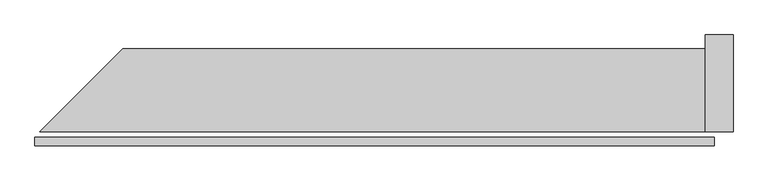
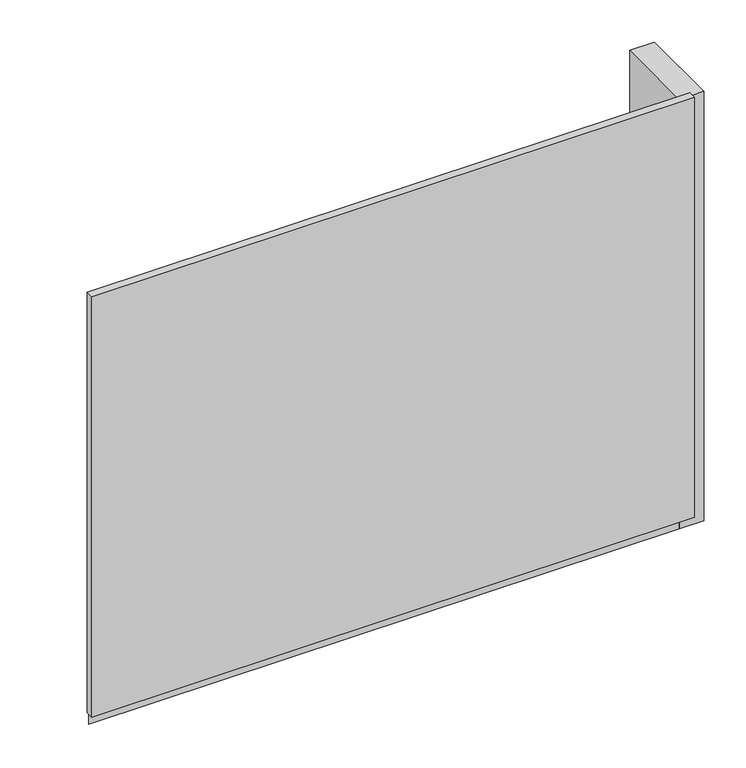
"""IFC4 building model written with IfcOpenShell, lengths in millimetres: plate geometry."""

from ifc_helpers import new_model, si_unit, frame, origin, origin_with_axes, place, context, project, spatial, polyline, outline, extrude, source, transform, mapped, element, save


def plate_98459faf(model_context):
    return source(origin(), model_context, "Body", "SweptSolid", [
        extrude(outline(polyline([(981.5, 0.0), (-981.5, 0.0), (-981.5, 25.0), (981.5, 25.0), (981.5, 0.0)])), origin_with_axes(), (0.0, 0.0, 1.0), 1447.534293),
        extrude(outline(polyline([(956.5, 281.0), (956.5, 41.0), (-967.9314575, 41.0), (-727.9314575, 281.0), (956.5, 281.0)])), frame((0.0, 0.0, -55.0), z_axis=(0.0, 0.0, 1.0), x_axis=(1.0, 0.0, 0.0)), (0.0, 0.0, 1.0), 80.0),
        extrude(outline(polyline([(1036.5, 41.0), (956.5, 41.0), (956.5, 321.0), (1036.5, 321.0), (1036.5, 41.0)])), frame((0.0, 0.0, -55.0), z_axis=(0.0, 0.0, 1.0), x_axis=(1.0, 0.0, 0.0)), (0.0, 0.0, 1.0), 1477.534293),
    ])


if __name__ == "__main__":
    model = new_model("IFC4")
    model_context = context("Model", 3, world=origin())
    ifc_project = project(units=[si_unit("LENGTHUNIT", "METRE", prefix="MILLI")], contexts=[model_context])
    site = spatial("IfcSite", under=ifc_project)
    building = spatial("IfcBuilding", under=site)
    placement = place(None, origin())
    plate_shape = plate_98459faf(model_context)
    element("IfcPlate", 1, at=placement, inside=building, context=model_context, shape_type="MappedRepresentation", body=[
        mapped(plate_shape, transform((0.0, 0.0, 0.0), x_axis=(1.0, 0.0, 0.0), y_axis=(0.0, 1.0, 0.0), z_axis=(0.0, 0.0, 1.0))),
    ])
    save(model, "model.ifc")
